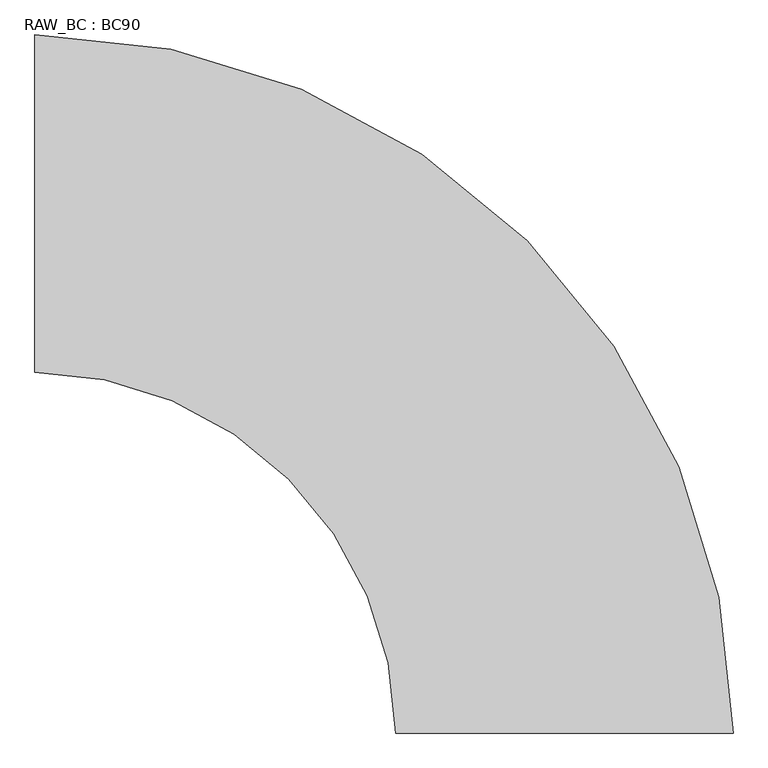
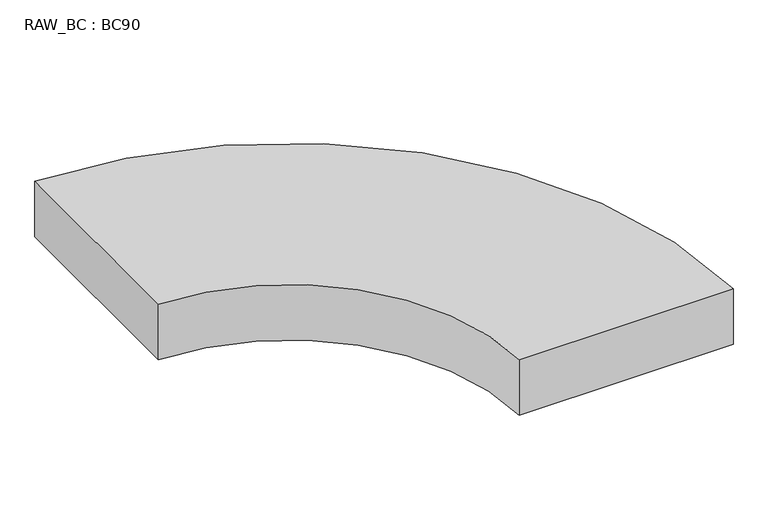
"""IFC4 building model written with IfcOpenShell, lengths in millimetres: proxy geometry, RAW_BC : BC90."""

from ifc_helpers import new_model, si_unit, point, frame, frame_2d, origin, place, context, project, spatial, polyline, circle_curve, trimmed, segment, composite_curve, outline, extrude, source, transform, mapped, element, save


def raw_bc_bc90_45a97ea0(model_context):
    return source(origin(), model_context, "Body", "SweptSolid", [
        extrude(outline(composite_curve([segment(trimmed(circle_curve(frame_2d((-1714.5, 0.0)), 2315.5), [point((-1699.0, 2315.4481208))], [point((600.9481208, 15.5))], False, "CARTESIAN"), True, "CONTINUOUS"), segment(polyline([(600.9481208, 15.5), (-510.0997343, 15.5)]), True, "CONTINUOUS"), segment(trimmed(circle_curve(frame_2d((-1714.5, 0.0)), 1204.5), [point((-510.0997343, 15.5))], [point((-1699.0, 1204.4002657))], True, "CARTESIAN"), True, "CONTINUOUS"), segment(polyline([(-1699.0, 1204.4002657), (-1699.0, 2315.4481208)]), True, "CONTINUOUS")], self_intersect=False)), frame((0.0, 0.0, -304.5), z_axis=(0.0, 0.0, 1.0), x_axis=(1.0, 0.0, 0.0)), (0.0, 0.0, 1.0), 304.5),
    ])


if __name__ == "__main__":
    model = new_model("IFC4")
    model_context = context("Model", 3, world=origin())
    ifc_project = project(units=[si_unit("LENGTHUNIT", "METRE", prefix="MILLI")], contexts=[model_context])
    site = spatial("IfcSite", under=ifc_project)
    building = spatial("IfcBuilding", under=site)
    placement = place(None, origin())
    raw_bc_bc90_shape = raw_bc_bc90_45a97ea0(model_context)
    element("IfcBuildingElementProxy", 1, Name="RAW_BC : BC90", ObjectType="RAW_BC : BC90", at=placement, inside=building, context=model_context, shape_type="MappedRepresentation", body=[
        mapped(raw_bc_bc90_shape, transform((0.0, 0.0, 0.0), x_axis=(1.0, 0.0, 0.0), y_axis=(0.0, 1.0, 0.0), z_axis=(0.0, 0.0, 1.0))),
    ])
    save(model, "model.ifc")
